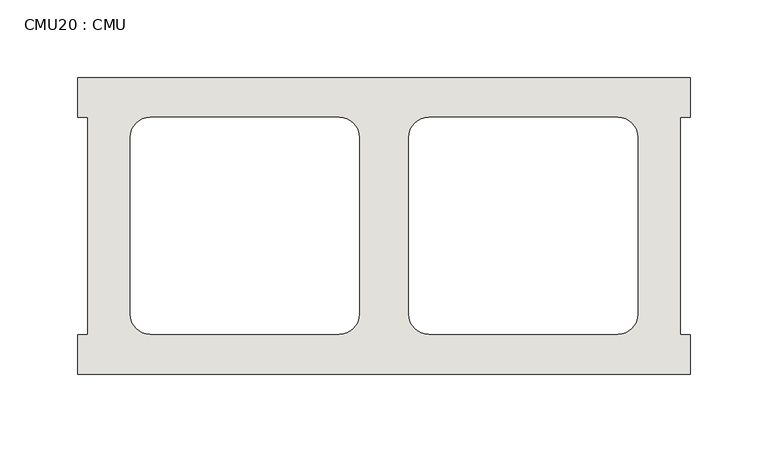
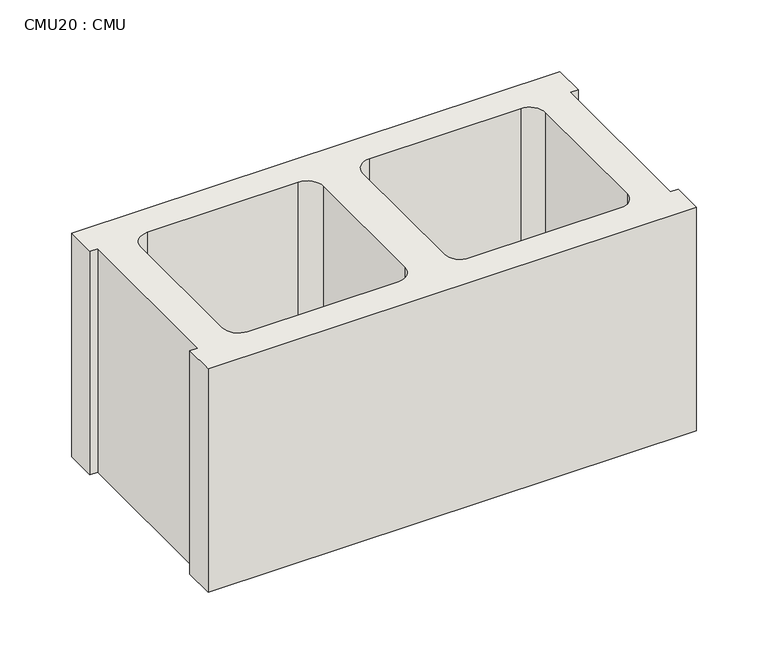
"""IFC4 building model written with IfcOpenShell, lengths in millimetres: wall geometry, CMU20 : CMU."""

from ifc_helpers import new_model, si_unit, point, frame_2d, origin, origin_with_axes, place, context, project, spatial, polyline, circle_curve, trimmed, segment, composite_curve, outline, extrude, source, transform, mapped, element, save


def cmu20_cmu_45fc6be2(model_context):
    return source(origin(), model_context, "Body", "SweptSolid", [
        extrude(outline(polyline([(1384.0060968, 2871.3003704), (1777.7060968, 2871.3003704), (1777.7060968, 2845.9003704), (1771.3560968, 2845.9003704), (1771.3560968, 2706.2003704), (1777.7060968, 2706.2003704), (1777.7060968, 2680.8003704), (1384.0060968, 2680.8003704), (1384.0060968, 2706.2003704), (1390.3560968, 2706.2003704), (1390.3560968, 2845.9003704), (1384.0060968, 2845.9003704), (1384.0060968, 2871.3003704)]), holes=[composite_curve([segment(polyline([(1552.1740955, 2845.9003704), (1430.4574454, 2845.9003704)]), True, "CONTINUOUS"), segment(trimmed(circle_curve(frame_2d((1430.4574454, 2833.2003704)), 12.7), [point((1430.4574454, 2845.9003704))], [point((1417.7574454, 2833.2003704))], True, "CARTESIAN"), True, "CONTINUOUS"), segment(polyline([(1417.7574454, 2833.2003704), (1417.7574454, 2719.1345307)]), True, "CONTINUOUS"), segment(trimmed(circle_curve(frame_2d((1430.4574454, 2719.1345307)), 12.7), [point((1417.7574454, 2719.1345307))], [point((1430.4574454, 2706.4345307))], True, "CARTESIAN"), True, "CONTINUOUS"), segment(polyline([(1430.4574454, 2706.4345307), (1552.1740955, 2706.4345307)]), True, "CONTINUOUS"), segment(trimmed(circle_curve(frame_2d((1552.1740955, 2719.1345307)), 12.7), [point((1552.1740955, 2706.4345307))], [point((1564.8740955, 2719.1345307))], True, "CARTESIAN"), True, "CONTINUOUS"), segment(polyline([(1564.8740955, 2719.1345307), (1564.8740955, 2833.2003704)]), True, "CONTINUOUS"), segment(trimmed(circle_curve(frame_2d((1552.1740955, 2833.2003704)), 12.7), [point((1564.8740955, 2833.2003704))], [point((1552.1740955, 2845.9003704))], True, "CARTESIAN"), True, "CONTINUOUS")], self_intersect=False), composite_curve([segment(trimmed(circle_curve(frame_2d((1609.5380982, 2833.2003704)), 12.7), [point((1609.5380982, 2845.9003704))], [point((1596.8380982, 2833.2003704))], True, "CARTESIAN"), True, "CONTINUOUS"), segment(polyline([(1596.8380982, 2833.2003704), (1596.8380982, 2719.1345307)]), True, "CONTINUOUS"), segment(trimmed(circle_curve(frame_2d((1609.5380982, 2719.1345307)), 12.7), [point((1596.8380982, 2719.1345307))], [point((1609.5380982, 2706.4345307))], True, "CARTESIAN"), True, "CONTINUOUS"), segment(polyline([(1609.5380982, 2706.4345307), (1731.2547483, 2706.4345307)]), True, "CONTINUOUS"), segment(trimmed(circle_curve(frame_2d((1731.2547483, 2719.1345307)), 12.7), [point((1731.2547483, 2706.4345307))], [point((1743.9547483, 2719.1345307))], True, "CARTESIAN"), True, "CONTINUOUS"), segment(polyline([(1743.9547483, 2719.1345307), (1743.9547483, 2833.2003704)]), True, "CONTINUOUS"), segment(trimmed(circle_curve(frame_2d((1731.2547483, 2833.2003704)), 12.7), [point((1743.9547483, 2833.2003704))], [point((1731.2547483, 2845.9003704))], True, "CARTESIAN"), True, "CONTINUOUS"), segment(polyline([(1731.2547483, 2845.9003704), (1609.5380982, 2845.9003704)]), True, "CONTINUOUS")], self_intersect=False)]), origin_with_axes(), (0.0, 0.0, 1.0), 190.5),
    ])


if __name__ == "__main__":
    model = new_model("IFC4")
    model_context = context("Model", 3, world=origin())
    ifc_project = project(units=[si_unit("LENGTHUNIT", "METRE", prefix="MILLI")], contexts=[model_context])
    site = spatial("IfcSite", under=ifc_project)
    building = spatial("IfcBuilding", under=site)
    placement = place(None, origin())
    cmu20_cmu_shape = cmu20_cmu_45fc6be2(model_context)
    element("IfcWall", 1, ObjectType="CMU20 : CMU", at=placement, inside=building, context=model_context, shape_type="MappedRepresentation", body=[
        mapped(cmu20_cmu_shape, transform((0.0, 0.0, 0.0), x_axis=(1.0, 0.0, 0.0), y_axis=(0.0, 1.0, 0.0), z_axis=(0.0, 0.0, 1.0))),
    ])
    save(model, "model.ifc")
